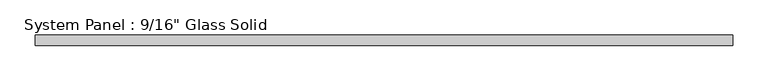
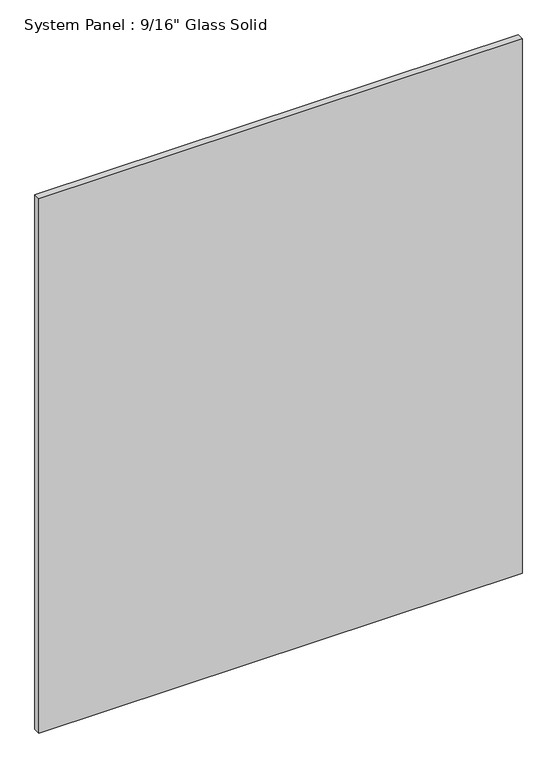
"""IFC4 building model written with IfcOpenShell, lengths in millimetres: plate geometry."""

from ifc_helpers import new_model, si_unit, origin, origin_with_axes, place, context, project, spatial, polyline, outline, extrude, source, transform, mapped, element, save


def plate_13994ad6(model_context):
    return source(origin(), model_context, "Body", "SweptSolid", [
        extrude(outline(polyline([(492.1258852, -7.14375), (-492.1258852, -7.14375), (-492.1258852, 7.14375), (492.1258852, 7.14375), (492.1258852, -7.14375)])), origin_with_axes(), (0.0, 0.0, 1.0), 1150.5111731),
    ])


if __name__ == "__main__":
    model = new_model("IFC4")
    model_context = context("Model", 3, world=origin())
    ifc_project = project(units=[si_unit("LENGTHUNIT", "METRE", prefix="MILLI")], contexts=[model_context])
    site = spatial("IfcSite", under=ifc_project)
    building = spatial("IfcBuilding", under=site)
    placement = place(None, origin())
    plate_shape = plate_13994ad6(model_context)
    element("IfcPlate", 1, ObjectType="System Panel : 9/16\" Glass Solid", at=placement, inside=building, context=model_context, shape_type="MappedRepresentation", body=[
        mapped(plate_shape, transform((0.0, 0.0, 0.0), x_axis=(1.0, 0.0, 0.0), y_axis=(0.0, 1.0, 0.0), z_axis=(0.0, 0.0, 1.0))),
    ])
    save(model, "model.ifc")
